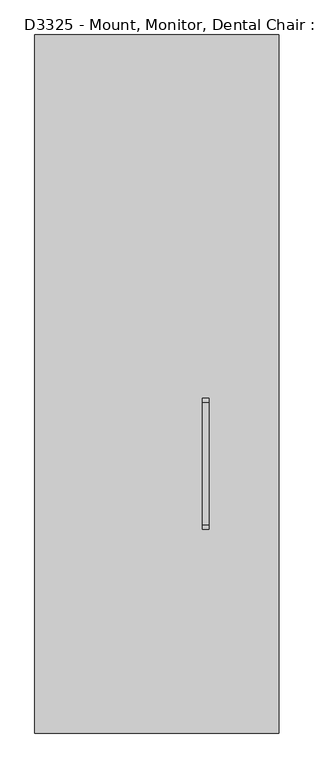
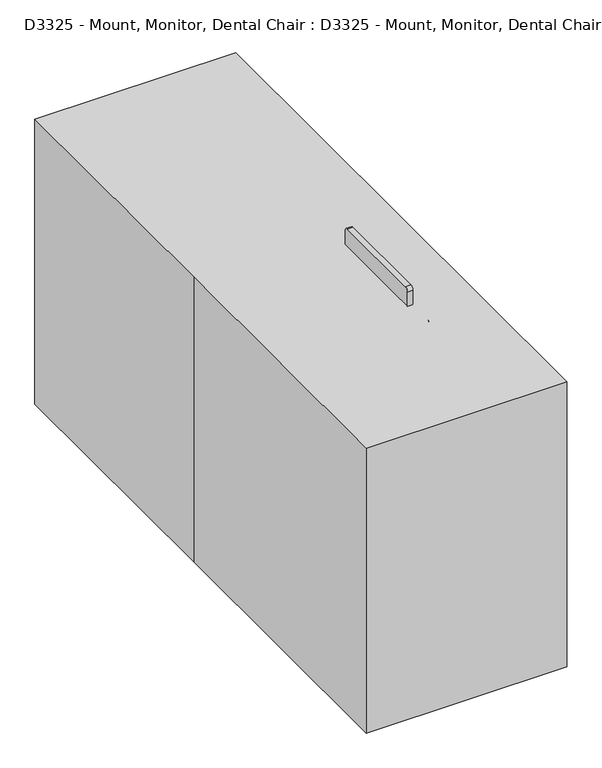
"""IFC4 building model written with IfcOpenShell, lengths in millimetres: proxy geometry, D3325 - Mount, Monitor, Dental Chair : D3325 - Mount, Monitor, Dental Chair."""

from ifc_helpers import new_model, si_unit, point, frame, frame_2d, origin, origin_with_axes, place, context, project, spatial, polyline, circle_curve, ellipse_curve, trimmed, segment, composite_curve, outline, extrude, source, transform, mapped, element, save
from ifc_brep_helpers import plane_surface, cylinder_surface, revolved_surface, advanced_brep


def d3325_mount_monitor_dental_chair_d3325_mount_monitor_dental_be0dda7e(model_context):
    return source(origin(), model_context, "Body", "SolidModel", [
        advanced_brep(
        [(330.2, -282.0868489, 807.4979758), (330.2, -282.0868489, 845.5979758), (330.2, -212.2368489, 877.3479758), (330.2, -250.3368489, 877.3479758)],
        [
            (0, 1, circle_curve(frame((330.2, -282.0868489, 826.5479758), z_axis=(0.0, -1.0, 0.0), x_axis=(0.0, 0.0, 1.0)), 19.05)),
            (1, 0, circle_curve(frame((330.2, -282.0868489, 826.5479758), z_axis=(0.0, -1.0, 0.0), x_axis=(0.0, 0.0, 1.0)), 19.05)),
            (2, 3, circle_curve(frame((330.2, -231.2868489, 877.3479758), z_axis=(0.0, 0.0, 1.0), x_axis=(0.0, -1.0, 0.0)), 19.05)),
            (3, 2, circle_curve(frame((330.2, -231.2868489, 877.3479758), z_axis=(0.0, 0.0, 1.0), x_axis=(0.0, -1.0, 0.0)), 19.05)),
            (3, 1, circle_curve(frame((330.2, -282.0868489, 877.3479758), z_axis=(-1.0, 0.0, 0.0), x_axis=(0.0, 0.0, -1.0)), 31.75)),
            (0, 2, circle_curve(frame((330.2, -282.0868489, 877.3479758), z_axis=(1.0, 0.0, 0.0), x_axis=(0.0, 0.0, -1.0)), 69.85)),
        ],
        [
            plane_surface(frame((330.2, -282.0868489, 826.5479758), z_axis=(0.0, -1.0, 0.0), x_axis=(1.0, 0.0, 0.0))),
            plane_surface(frame((330.2, -231.2868489, 877.3479758), z_axis=(0.0, 0.0, 1.0), x_axis=(1.0, 0.0, 0.0))),
            revolved_surface(trimmed(ellipse_curve(frame((330.2, -282.0868489, 826.5479758), z_axis=(0.0, -1.0, 0.0), x_axis=(0.0, 0.0, 1.0)), 19.05, 19.05), [point((330.2, -282.0868489, 807.4979758))], [point((330.2, -282.0868489, 845.5979758))], True, "CARTESIAN"), (330.2, -282.0868489, 877.3479758), (1.0, 0.0, 0.0)),
            revolved_surface(trimmed(ellipse_curve(frame((330.2, -282.0868489, 826.5479758), z_axis=(0.0, -1.0, 0.0), x_axis=(0.0, 0.0, 1.0)), 19.05, 19.05), [point((330.2, -282.0868489, 845.5979758))], [point((330.2, -282.0868489, 807.4979758))], True, "CARTESIAN"), (330.2, -282.0868489, 877.3479758), (1.0, 0.0, 0.0)),
        ],
        [
            (0, [[1, 2]]),
            (1, [[3, 4]]),
            (2, [[5, -1, 6, -4]]),
            (3, [[-6, -2, -5, -3]]),
        ],
    ),
        extrude(outline(composite_curve([segment(trimmed(circle_curve(frame_2d((826.5479758, 330.2)), 19.05), [point((807.4979758, 330.2))], [point((845.5979758, 330.2))], False, "CARTESIAN"), True, "CONTINUOUS"), segment(trimmed(circle_curve(frame_2d((826.5479758, 330.2)), 19.05), [point((845.5979758, 330.2))], [point((807.4979758, 330.2))], False, "CARTESIAN"), True, "CONTINUOUS")], self_intersect=False)), frame((0.0, -629.7082464, 0.0), z_axis=(0.0, 1.0, 0.0), x_axis=(0.0, 0.0, 1.0)), (0.0, 0.0, 1.0), 347.6213974),
        advanced_brep(
        [(330.2, -629.7082464, 845.5979758), (330.2, -629.7082464, 807.4979758), (330.2, -699.5582464, 775.7479758), (330.2, -661.4582464, 775.7479758)],
        [
            (0, 1, circle_curve(frame((330.2, -629.7082464, 826.5479758), z_axis=(0.0, 1.0, 0.0), x_axis=(0.0, 0.0, -1.0)), 19.05)),
            (1, 0, circle_curve(frame((330.2, -629.7082464, 826.5479758), z_axis=(0.0, 1.0, 0.0), x_axis=(0.0, 0.0, -1.0)), 19.05)),
            (2, 3, circle_curve(frame((330.2, -680.5082464, 775.7479758), z_axis=(0.0, 0.0, -1.0), x_axis=(0.0, 1.0, 0.0)), 19.05)),
            (3, 2, circle_curve(frame((330.2, -680.5082464, 775.7479758), z_axis=(0.0, 0.0, -1.0), x_axis=(0.0, 1.0, 0.0)), 19.05)),
            (3, 1, circle_curve(frame((330.2, -629.7082464, 775.7479758), z_axis=(-1.0, 0.0, 0.0), x_axis=(0.0, 0.0, 1.0)), 31.75)),
            (0, 2, circle_curve(frame((330.2, -629.7082464, 775.7479758), z_axis=(1.0, 0.0, 0.0), x_axis=(0.0, 0.0, 1.0)), 69.85)),
        ],
        [
            plane_surface(frame((330.2, -629.7082464, 826.5479758), z_axis=(0.0, 1.0, 0.0), x_axis=(1.0, 0.0, 0.0))),
            plane_surface(frame((330.2, -680.5082464, 775.7479758), z_axis=(0.0, 0.0, -1.0), x_axis=(1.0, 0.0, 0.0))),
            revolved_surface(trimmed(ellipse_curve(frame((330.2, -629.7082464, 826.5479758), z_axis=(0.0, 1.0, 0.0), x_axis=(0.0, 0.0, -1.0)), 19.05, 19.05), [point((330.2, -629.7082464, 845.5979758))], [point((330.2, -629.7082464, 807.4979758))], True, "CARTESIAN"), (330.2, -629.7082464, 775.7479758), (1.0, 0.0, 0.0)),
            revolved_surface(trimmed(ellipse_curve(frame((330.2, -629.7082464, 826.5479758), z_axis=(0.0, 1.0, 0.0), x_axis=(0.0, 0.0, -1.0)), 19.05, 19.05), [point((330.2, -629.7082464, 807.4979758))], [point((330.2, -629.7082464, 845.5979758))], True, "CARTESIAN"), (330.2, -629.7082464, 775.7479758), (1.0, 0.0, 0.0)),
        ],
        [
            (0, [[1, 2]]),
            (1, [[3, 4]]),
            (2, [[5, -1, 6, -4]]),
            (3, [[-6, -2, -5, -3]]),
        ],
    ),
        extrude(outline(composite_curve([segment(polyline([(-54.312137, 904.4198133), (-409.912137, 904.4198133)]), True, "CONTINUOUS"), segment(trimmed(circle_curve(frame_2d((-409.912137, 917.1198133)), 12.7), [point((-409.912137, 904.4198133))], [point((-422.612137, 917.1198133))], False, "CARTESIAN"), True, "CONTINUOUS"), segment(polyline([(-422.612137, 917.1198133), (-422.612137, 1120.3198133)]), True, "CONTINUOUS"), segment(trimmed(circle_curve(frame_2d((-409.912137, 1120.3198133)), 12.7), [point((-422.612137, 1120.3198133))], [point((-409.912137, 1133.0198133))], False, "CARTESIAN"), True, "CONTINUOUS"), segment(polyline([(-409.912137, 1133.0198133), (-54.312137, 1133.0198133)]), True, "CONTINUOUS"), segment(trimmed(circle_curve(frame_2d((-54.312137, 1120.3198133)), 12.7), [point((-54.312137, 1133.0198133))], [point((-41.612137, 1120.3198133))], False, "CARTESIAN"), True, "CONTINUOUS"), segment(polyline([(-41.612137, 1120.3198133), (-41.612137, 917.1198133)]), True, "CONTINUOUS"), segment(trimmed(circle_curve(frame_2d((-54.312137, 917.1198133)), 12.7), [point((-41.612137, 917.1198133))], [point((-54.312137, 904.4198133))], False, "CARTESIAN"), True, "CONTINUOUS")], self_intersect=False)), frame((133.35, 0.0, 0.0), z_axis=(1.0, 0.0, 0.0), x_axis=(0.0, 1.0, 0.0)), (0.0, 0.0, 1.0), 19.05),
        advanced_brep(
        [(152.4, -231.2868489, 909.123847), (152.4, -231.2868489, 947.223847), (279.4, -231.2868489, 947.223847), (279.4, -231.2868489, 909.123847), (311.15, -231.2868489, 877.373847), (349.25, -231.2868489, 877.373847)],
        [
            (0, 1, circle_curve(frame((152.4, -231.2868489, 928.173847), z_axis=(-1.0, 0.0, 0.0), x_axis=(0.0, 0.0, 1.0)), 19.05)),
            (1, 0, circle_curve(frame((152.4, -231.2868489, 928.173847), z_axis=(-1.0, 0.0, 0.0), x_axis=(0.0, 0.0, 1.0)), 19.05)),
            (1, 2),
            (2, 3, circle_curve(frame((279.4, -231.2868489, 928.173847), z_axis=(-1.0, 0.0, 0.0), x_axis=(0.0, 0.0, 1.0)), 19.05)),
            (3, 0),
            (3, 2, circle_curve(frame((279.4, -231.2868489, 928.173847), z_axis=(-1.0, 0.0, 0.0), x_axis=(0.0, 0.0, 1.0)), 19.05)),
            (4, 5, circle_curve(frame((330.2, -231.2868489, 877.373847), z_axis=(0.0, 0.0, -1.0), x_axis=(1.0, 0.0, 0.0)), 19.05)),
            (5, 4, circle_curve(frame((330.2, -231.2868489, 877.373847), z_axis=(0.0, 0.0, -1.0), x_axis=(1.0, 0.0, 0.0)), 19.05)),
            (4, 3, circle_curve(frame((279.4, -231.2868489, 877.373847), z_axis=(0.0, -1.0, 0.0), x_axis=(0.0, 0.0, 1.0)), 31.75)),
            (2, 5, circle_curve(frame((279.4, -231.2868489, 877.373847), z_axis=(0.0, 1.0, 0.0), x_axis=(0.0, 0.0, 1.0)), 69.85)),
        ],
        [
            plane_surface(frame((152.4, -231.2868489, 928.173847), z_axis=(-1.0, 0.0, 0.0), x_axis=(0.0, -1.0, 0.0))),
            cylinder_surface(frame((152.4, -231.2868489, 928.173847), z_axis=(-1.0, 0.0, 0.0), x_axis=(0.0, 0.0, 1.0)), 19.05),
            plane_surface(frame((330.2, -231.2868489, 877.373847), z_axis=(0.0, 0.0, -1.0), x_axis=(0.0, -1.0, 0.0))),
            revolved_surface(trimmed(ellipse_curve(frame((279.4, -231.2868489, 928.173847), z_axis=(-1.0, 0.0, 0.0), x_axis=(0.0, 0.0, 1.0)), 19.05, 19.05), [point((279.4, -231.2868489, 947.223847))], [point((279.4, -231.2868489, 909.123847))], True, "CARTESIAN"), (279.4, -231.2868489, 877.373847), (0.0, 1.0, 0.0)),
            revolved_surface(trimmed(ellipse_curve(frame((279.4, -231.2868489, 928.173847), z_axis=(-1.0, 0.0, 0.0), x_axis=(0.0, 0.0, 1.0)), 19.05, 19.05), [point((279.4, -231.2868489, 909.123847))], [point((279.4, -231.2868489, 947.223847))], True, "CARTESIAN"), (279.4, -231.2868489, 877.373847), (0.0, 1.0, 0.0)),
        ],
        [
            (0, [[1, 2]]),
            (1, [[-2, 3, 4, 5]]),
            (1, [[-1, -5, 6, -3]]),
            (2, [[7, 8]]),
            (3, [[9, -4, 10, -7]]),
            (4, [[-10, -6, -9, -8]]),
        ],
    ),
        advanced_brep(
        [(152.4, -680.5082464, 147.0979758), (152.4, -680.5082464, 185.1979758), (279.4, -680.5082464, 147.0979758), (279.4, -680.5082464, 185.1979758), (349.25, -680.5082464, 216.9479758), (311.15, -680.5082464, 216.9479758)],
        [
            (0, 1, circle_curve(frame((152.4, -680.5082464, 166.1479758), z_axis=(-1.0, 0.0, 0.0), x_axis=(0.0, 0.0, 1.0)), 19.05)),
            (1, 0, circle_curve(frame((152.4, -680.5082464, 166.1479758), z_axis=(-1.0, 0.0, 0.0), x_axis=(0.0, 0.0, 1.0)), 19.05)),
            (0, 2),
            (2, 3, circle_curve(frame((279.4, -680.5082464, 166.1479758), z_axis=(-1.0, 0.0, 0.0), x_axis=(0.0, 0.0, 1.0)), 19.05)),
            (3, 1),
            (3, 2, circle_curve(frame((279.4, -680.5082464, 166.1479758), z_axis=(-1.0, 0.0, 0.0), x_axis=(0.0, 0.0, 1.0)), 19.05)),
            (4, 5, circle_curve(frame((330.2, -680.5082464, 216.9479758), z_axis=(0.0, 0.0, 1.0), x_axis=(-1.0, 0.0, 0.0)), 19.05)),
            (5, 4, circle_curve(frame((330.2, -680.5082464, 216.9479758), z_axis=(0.0, 0.0, 1.0), x_axis=(-1.0, 0.0, 0.0)), 19.05)),
            (5, 3, circle_curve(frame((279.4, -680.5082464, 216.9479758), z_axis=(0.0, 1.0, 0.0), x_axis=(0.0, 0.0, -1.0)), 31.75)),
            (2, 4, circle_curve(frame((279.4, -680.5082464, 216.9479758), z_axis=(0.0, -1.0, 0.0), x_axis=(0.0, 0.0, -1.0)), 69.85)),
        ],
        [
            plane_surface(frame((152.4, -680.5082464, 166.1479758), z_axis=(-1.0, 0.0, 0.0), x_axis=(0.0, -1.0, 0.0))),
            cylinder_surface(frame((152.4, -680.5082464, 166.1479758), z_axis=(-1.0, 0.0, 0.0), x_axis=(0.0, 0.0, 1.0)), 19.05),
            plane_surface(frame((330.2, -680.5082464, 216.9479758), z_axis=(0.0, 0.0, 1.0), x_axis=(0.0, -1.0, 0.0))),
            revolved_surface(trimmed(ellipse_curve(frame((279.4, -680.5082464, 166.1479758), z_axis=(-1.0, 0.0, 0.0), x_axis=(0.0, 0.0, 1.0)), 19.05, 19.05), [point((279.4, -680.5082464, 147.0979758))], [point((279.4, -680.5082464, 185.1979758))], True, "CARTESIAN"), (279.4, -680.5082464, 216.9479758), (0.0, -1.0, 0.0)),
            revolved_surface(trimmed(ellipse_curve(frame((279.4, -680.5082464, 166.1479758), z_axis=(-1.0, 0.0, 0.0), x_axis=(0.0, 0.0, 1.0)), 19.05, 19.05), [point((279.4, -680.5082464, 185.1979758))], [point((279.4, -680.5082464, 147.0979758))], True, "CARTESIAN"), (279.4, -680.5082464, 216.9479758), (0.0, -1.0, 0.0)),
        ],
        [
            (0, [[1, 2]]),
            (1, [[-1, 3, 4, 5]]),
            (1, [[-2, -5, 6, -3]]),
            (2, [[7, 8]]),
            (3, [[9, -4, 10, -8]]),
            (4, [[-10, -6, -9, -7]]),
        ],
    ),
        extrude(outline(composite_curve([segment(trimmed(circle_curve(frame_2d((330.2, -680.5082464)), 19.05), [point((349.25, -680.5082464))], [point((311.15, -680.5082464))], False, "CARTESIAN"), True, "CONTINUOUS"), segment(trimmed(circle_curve(frame_2d((330.2, -680.5082464)), 19.05), [point((311.15, -680.5082464))], [point((349.25, -680.5082464))], False, "CARTESIAN"), True, "CONTINUOUS")], self_intersect=False)), frame((0.0, 0.0, 216.9479758), z_axis=(0.0, 0.0, 1.0), x_axis=(1.0, 0.0, 0.0)), (0.0, 0.0, 1.0), 558.8),
        extrude(outline(polyline([(0.0, -12.7000001), (0.0, 0.0), (50.8, 0.0), (50.8, -12.7000001), (0.0, -12.7000001)])), frame((25.4, 864.322553, 876.3857997), z_axis=(0.0, -0.6156614753256595, 0.788010753606721), x_axis=(-1.0, 0.0, 0.0)), (0.0, 0.0, 1.0), 25.4),
        extrude(outline(composite_curve([segment(trimmed(circle_curve(frame_2d((101.6, -50.8)), 50.8), [point((101.6, 0.0))], [point((152.4, -50.8))], False, "CARTESIAN"), True, "CONTINUOUS"), segment(polyline([(152.4, -50.8), (152.4, -101.6)]), True, "CONTINUOUS"), segment(trimmed(circle_curve(frame_2d((101.6, -101.6)), 50.8), [point((152.4, -101.6))], [point((101.6, -152.3999999))], False, "CARTESIAN"), True, "CONTINUOUS"), segment(polyline([(101.6, -152.3999999), (50.8, -152.3999999)]), True, "CONTINUOUS"), segment(trimmed(circle_curve(frame_2d((50.8, -101.6)), 50.8), [point((50.8, -152.3999999))], [point((0.0, -101.6))], False, "CARTESIAN"), True, "CONTINUOUS"), segment(polyline([(0.0, -101.6), (0.0, -50.8)]), True, "CONTINUOUS"), segment(trimmed(circle_curve(frame_2d((50.8, -50.8)), 50.8), [point((0.0, -50.8))], [point((50.8, 0.0))], False, "CARTESIAN"), True, "CONTINUOUS"), segment(polyline([(50.8, 0.0), (101.6, 0.0)]), True, "CONTINUOUS")], self_intersect=False)), frame((-76.2, 994.4231284, 978.0315093), z_axis=(0.0, -0.6156614753256581, 0.7880107536067222), x_axis=(1.0, 0.0, 0.0)), (0.0, 0.0, 1.0), 25.4),
        extrude(outline(composite_curve([segment(trimmed(circle_curve(frame_2d((101.6, -50.8)), 50.8), [point((101.6, 0.0))], [point((152.4, -50.8))], False, "CARTESIAN"), True, "CONTINUOUS"), segment(polyline([(152.4, -50.8), (152.4, -101.6)]), True, "CONTINUOUS"), segment(trimmed(circle_curve(frame_2d((101.6, -101.6)), 50.8), [point((152.4, -101.6))], [point((101.6, -152.4))], False, "CARTESIAN"), True, "CONTINUOUS"), segment(polyline([(101.6, -152.4), (50.8, -152.4)]), True, "CONTINUOUS"), segment(trimmed(circle_curve(frame_2d((50.8, -101.6)), 50.8), [point((50.8, -152.4))], [point((0.0, -101.6))], False, "CARTESIAN"), True, "CONTINUOUS"), segment(polyline([(0.0, -101.6), (0.0, -50.8)]), True, "CONTINUOUS"), segment(trimmed(circle_curve(frame_2d((50.8, -50.8)), 50.8), [point((0.0, -50.8))], [point((50.8, 0.0))], False, "CARTESIAN"), True, "CONTINUOUS"), segment(polyline([(50.8, 0.0), (101.6, 0.0)]), True, "CONTINUOUS")], self_intersect=False)), frame((-76.2, 978.7853269, 998.0469825), z_axis=(0.0, -0.6156614753256581, 0.7880107536067222), x_axis=(1.0, 0.0, 0.0)), (0.0, 0.0, 1.0), 50.8),
        extrude(outline(polyline([(-355.6, -1016.0), (-355.6, 38.1), (-355.6, 1016.0), (355.6, 1016.0), (355.6, -1016.0), (-355.6, -1016.0)])), origin_with_axes(), (0.0, 0.0, 1.0), 1066.8),
    ])


if __name__ == "__main__":
    model = new_model("IFC4")
    model_context = context("Model", 3, world=origin())
    ifc_project = project(units=[si_unit("LENGTHUNIT", "METRE", prefix="MILLI")], contexts=[model_context])
    site = spatial("IfcSite", under=ifc_project)
    building = spatial("IfcBuilding", under=site)
    placement = place(None, origin())
    d3325_mount_monitor_dental_chair_d3325_mount_monitor_dental_shape = d3325_mount_monitor_dental_chair_d3325_mount_monitor_dental_be0dda7e(model_context)
    element("IfcBuildingElementProxy", 1, Name="D3325 - Mount, Monitor, Dental Chair : D3325 - Mount, Monitor, Dental Chair", ObjectType="D3325 - Mount, Monitor, Dental Chair : D3325 - Mount, Monitor, Dental Chair", at=placement, inside=building, context=model_context, shape_type="MappedRepresentation", body=[
        mapped(d3325_mount_monitor_dental_chair_d3325_mount_monitor_dental_shape, transform((0.0, 0.0, 0.0), x_axis=(1.0, 0.0, 0.0), y_axis=(0.0, 1.0, 0.0), z_axis=(0.0, 0.0, 1.0))),
    ])
    save(model, "model.ifc")
